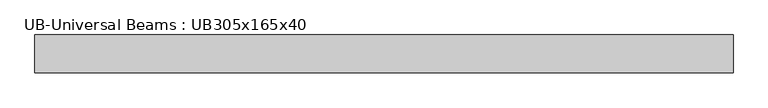
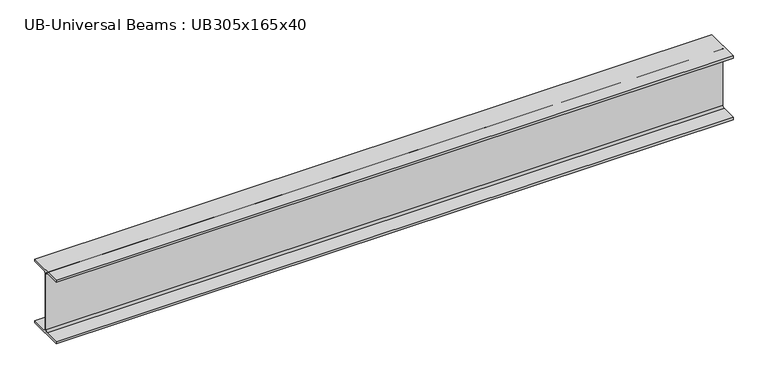
"""IFC4 building model written with IfcOpenShell, lengths in millimetres: beam geometry, UB-Universal Beams : UB305x165x40."""

from ifc_helpers import new_model, si_unit, point, frame, frame_2d, origin, place, context, project, spatial, polyline, circle_curve, trimmed, segment, composite_curve, outline, extrude, source, transform, mapped, element, save


def ub_universal_beams_ub305x165x40_d5022a99(model_context):
    return source(origin(), model_context, "Body", "SweptSolid", [
        extrude(outline(composite_curve([segment(polyline([(82.5, -141.5), (82.5, -151.7), (-82.5, -151.7), (-82.5, -141.5), (-11.9, -141.5)]), True, "CONTINUOUS"), segment(trimmed(circle_curve(frame_2d((-11.9, -132.6)), 8.9), [point((-11.9, -141.5))], [point((-3.0, -132.6))], True, "CARTESIAN"), True, "CONTINUOUS"), segment(polyline([(-3.0, -132.6), (-3.0, 132.6)]), True, "CONTINUOUS"), segment(trimmed(circle_curve(frame_2d((-11.9, 132.6)), 8.9), [point((-3.0, 132.6))], [point((-11.9, 141.5))], True, "CARTESIAN"), True, "CONTINUOUS"), segment(polyline([(-11.9, 141.5), (-82.5, 141.5), (-82.5, 151.7), (82.5, 151.7), (82.5, 141.5), (11.9, 141.5)]), True, "CONTINUOUS"), segment(trimmed(circle_curve(frame_2d((11.9, 132.6)), 8.9), [point((11.9, 141.5))], [point((3.0, 132.6))], True, "CARTESIAN"), True, "CONTINUOUS"), segment(polyline([(3.0, 132.6), (3.0, -132.6)]), True, "CONTINUOUS"), segment(trimmed(circle_curve(frame_2d((11.9, -132.6)), 8.9), [point((3.0, -132.6))], [point((11.9, -141.5))], True, "CARTESIAN"), True, "CONTINUOUS"), segment(polyline([(11.9, -141.5), (82.5, -141.5)]), True, "CONTINUOUS")], self_intersect=False)), frame((-1607.5, 0.0, 0.0), z_axis=(1.0, 0.0, 0.0), x_axis=(0.0, 1.0, 0.0)), (0.0, 0.0, 1.0), 3050.0),
    ])


if __name__ == "__main__":
    model = new_model("IFC4")
    model_context = context("Model", 3, world=origin())
    ifc_project = project(units=[si_unit("LENGTHUNIT", "METRE", prefix="MILLI")], contexts=[model_context])
    site = spatial("IfcSite", under=ifc_project)
    building = spatial("IfcBuilding", under=site)
    placement = place(None, origin())
    ub_universal_beams_ub305x165x40_shape = ub_universal_beams_ub305x165x40_d5022a99(model_context)
    element("IfcBeam", 1, ObjectType="UB-Universal Beams : UB305x165x40", at=placement, inside=building, context=model_context, shape_type="MappedRepresentation", body=[
        mapped(ub_universal_beams_ub305x165x40_shape, transform((0.0, 0.0, 0.0), x_axis=(1.0, 0.0, 0.0), y_axis=(0.0, 1.0, 0.0), z_axis=(0.0, 0.0, 1.0))),
    ])
    save(model, "model.ifc")
